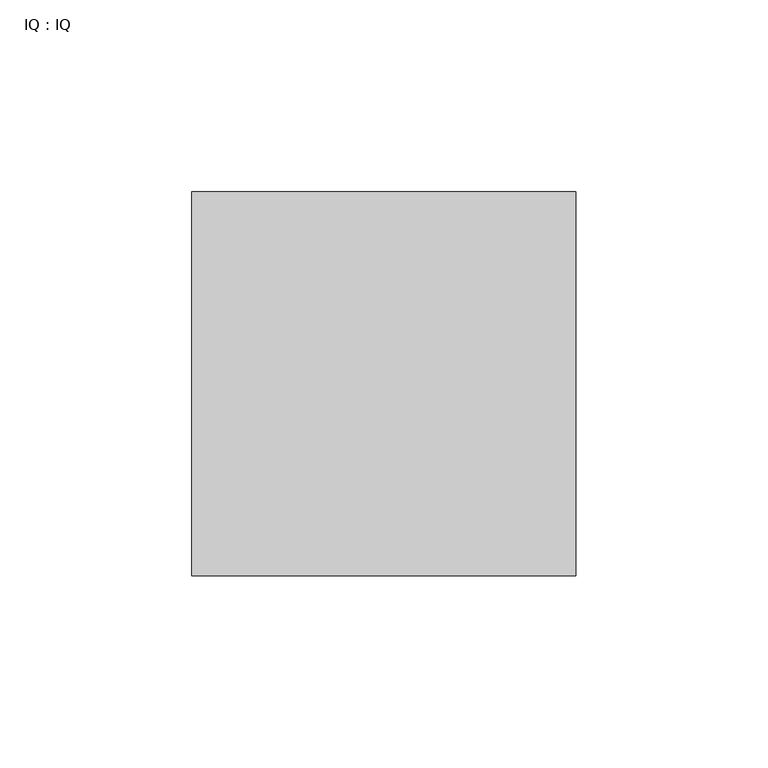
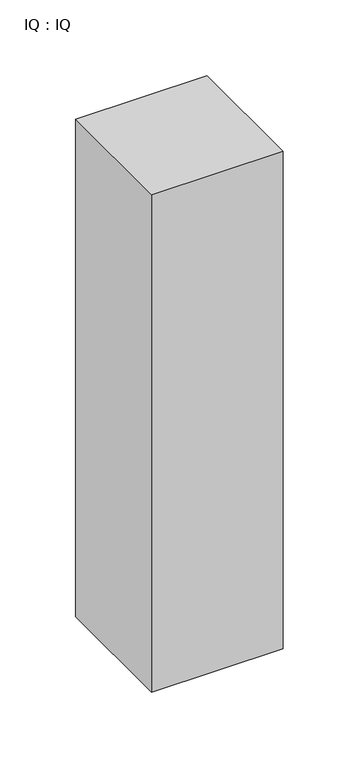
"""IFC4 building model written with IfcOpenShell, lengths in millimetres: proxy geometry, IQ : IQ."""

import ifcopenshell
import ifcopenshell.guid

model = None  # the IFC model being written
_history = None  # IfcOwnerHistory: only IFC2X3 demands one
_inside = {}  # id of a spatial element -> (the spatial element, [elements in it])
_under = {}  # id of a project, library or spatial element -> (it, [spatial elements below it])
_declared = {}  # id of a project -> (the project, [libraries it declares])
_typed = {}  # id of a type object -> (the type object, [elements of that type])
_made_of = {}  # id of a material, layer set ... -> (it, [elements and type objects made of it])


def new_model(schema):
    """Start an empty IFC model of exactly this schema.

    Asked for "IFC4X3", IfcOpenShell would pick the latest addendum, in which some entities
    have other attributes; the version numbers below select the first issue.
    IFC2X3 requires an IfcOwnerHistory on every rooted entity: one is made here for all.
    """
    global model, _history
    if schema == "IFC4X3":
        model = ifcopenshell.file(schema_version=(4, 3, 0, 0))
    else:
        model = ifcopenshell.file(schema=schema)
    _inside.clear()
    _under.clear()
    _declared.clear()
    _typed.clear()
    _made_of.clear()
    _history = None
    if model.schema == "IFC2X3":
        org = make("IfcOrganization", Name="unknown")
        user = make(
            "IfcPersonAndOrganization",
            ThePerson=make("IfcPerson", FamilyName="unknown"),
            TheOrganization=org,
        )
        app = make(
            "IfcApplication",
            ApplicationDeveloper=org,
            Version="unknown",
            ApplicationFullName="unknown",
            ApplicationIdentifier="unknown",
        )
        _history = make(
            "IfcOwnerHistory",
            OwningUser=user,
            OwningApplication=app,
            ChangeAction="ADDED",
            CreationDate=0,
        )
    return model


def make(cls, **values):
    """One entity of the class cls with the attributes given. An attribute that is None is left unset."""
    return model.create_entity(
        cls, **{name: value for name, value in values.items() if value is not None}
    )


def rooted(cls, **values):
    """An entity with a GlobalId (a new one), such as an element, a storey or a relation."""
    return make(cls, GlobalId=ifcopenshell.guid.new(), OwnerHistory=_history, **values)


def si_unit(unit_type, name, prefix=None):
    """IfcSIUnit, for example si_unit("LENGTHUNIT", "METRE", prefix="MILLI")."""
    return make("IfcSIUnit", UnitType=unit_type, Prefix=prefix, Name=name)


def assignment(units):
    """IfcUnitAssignment: the units of a project."""
    return None if units is None else make("IfcUnitAssignment", Units=units)


def point(xyz):
    """IfcCartesianPoint."""
    return None if xyz is None else make("IfcCartesianPoint", Coordinates=xyz)


def direction(xyz):
    """IfcDirection."""
    return None if xyz is None else make("IfcDirection", DirectionRatios=xyz)


def frame(location, z_axis=None, x_axis=None):
    """IfcAxis2Placement3D, a coordinate frame: its origin and axes. An axis left out is left unset."""
    return make(
        "IfcAxis2Placement3D",
        Location=point(location),
        Axis=direction(z_axis),
        RefDirection=direction(x_axis),
    )


def origin():
    """The frame at (0, 0, 0) with its axes left unset."""
    return frame((0.0, 0.0, 0.0))


def origin_with_axes():
    """The frame at (0, 0, 0) with the z axis (0, 0, 1) and the x axis (1, 0, 0) written out."""
    return frame((0.0, 0.0, 0.0), z_axis=(0.0, 0.0, 1.0), x_axis=(1.0, 0.0, 0.0))


def place(relative_to, where):
    """IfcLocalPlacement: puts the frame where relative to a parent placement (None: the world)."""
    return make(
        "IfcLocalPlacement", PlacementRelTo=relative_to, RelativePlacement=where
    )


def context(
    kind, dimensions, precision=None, world=None, true_north=None, identifier=None
):
    """IfcGeometricRepresentationContext, for example the 3D "Model" context."""
    return make(
        "IfcGeometricRepresentationContext",
        ContextIdentifier=identifier,
        ContextType=kind,
        CoordinateSpaceDimension=dimensions,
        Precision=precision,
        WorldCoordinateSystem=world,
        TrueNorth=true_north,
    )


def project(units=None, contexts=None):
    """IfcProject with its units and contexts."""
    return rooted(
        "IfcProject",
        Name="project",
        RepresentationContexts=contexts,
        UnitsInContext=assignment(units),
    )


def spatial(cls, under=None, at=None, **own):
    """A site, building, storey or space (cls), placed at a placement, below another one or the project."""
    s = rooted(cls, ObjectPlacement=at, **own)
    if under is not None:
        _under.setdefault(under.id(), (under, []))[1].append(s)
    return s


def polyline(points):
    """IfcPolyline through the points."""
    return make("IfcPolyline", Points=[point(p) for p in points])


def outline(outer, holes=None, kind="AREA"):
    """IfcArbitraryClosedProfileDef: a profile drawn as a closed curve; with holes, ...WithVoids."""
    if holes is None:
        return make("IfcArbitraryClosedProfileDef", ProfileType=kind, OuterCurve=outer)
    return make(
        "IfcArbitraryProfileDefWithVoids",
        ProfileType=kind,
        OuterCurve=outer,
        InnerCurves=holes,
    )


def extrude(swept, where, along, depth):
    """IfcExtrudedAreaSolid: the profile swept, set in the frame where, extruded along a direction by depth."""
    return make(
        "IfcExtrudedAreaSolid",
        SweptArea=swept,
        Position=where,
        ExtrudedDirection=direction(along),
        Depth=depth,
    )


def shape(context_of_items, identifier, shape_type, items):
    """IfcShapeRepresentation: the items that make up one representation, for example the "Body"."""
    return make(
        "IfcShapeRepresentation",
        ContextOfItems=context_of_items,
        RepresentationIdentifier=identifier,
        RepresentationType=shape_type,
        Items=items,
    )


def source(mapping_origin, context_of_items, identifier, shape_type, items):
    """IfcRepresentationMap: a shape defined once, which mapped items show again and again."""
    return make(
        "IfcRepresentationMap",
        MappingOrigin=mapping_origin,
        MappedRepresentation=shape(context_of_items, identifier, shape_type, items),
    )


def transform(
    local_origin,
    x_axis=None,
    y_axis=None,
    z_axis=None,
    scale=None,
    scale2=None,
    scale3=None,
    uniform=True,
):
    """IfcCartesianTransformationOperator3D, or its non-uniform kind. x_axis, y_axis, z_axis: its Axis1, 2, 3."""
    if uniform:
        return make(
            "IfcCartesianTransformationOperator3D",
            Axis1=direction(x_axis),
            Axis2=direction(y_axis),
            LocalOrigin=point(local_origin),
            Scale=scale,
            Axis3=direction(z_axis),
        )
    return make(
        "IfcCartesianTransformationOperator3DnonUniform",
        Axis1=direction(x_axis),
        Axis2=direction(y_axis),
        LocalOrigin=point(local_origin),
        Scale=scale,
        Axis3=direction(z_axis),
        Scale2=scale2,
        Scale3=scale3,
    )


def mapped(mapping_source, mapping_target):
    """IfcMappedItem: shows the shape of a source again, moved by a transform."""
    return make(
        "IfcMappedItem", MappingSource=mapping_source, MappingTarget=mapping_target
    )


def made_of(thing, what):
    """Note that an element or type object is made of a material, layer set ...; save() writes the relation."""
    if what is not None:
        _made_of.setdefault(what.id(), (what, []))[1].append(thing)
    return thing


def element(
    cls,
    number,
    at=None,
    inside=None,
    cuts=None,
    type_object=None,
    material=None,
    context=None,
    identifier="Body",
    shape_type=None,
    held_by="IfcProductDefinitionShape",
    body=None,
    shapes=None,
    **own,
):
    """One element of the class cls, such as IfcWall. Its Tag is "e" and its number.

    at: its placement. inside: the storey or other place that contains it. cuts: it is an
    opening in that element (IfcRelVoidsElement). A single representation is given by context,
    identifier, shape_type and body (its items); several are given by shapes. held_by: the class
    of the entity that holds the representations. save() writes the other relations.
    """
    e = rooted(cls, Tag="e%d" % number, ObjectPlacement=at, **own)
    if body is not None:
        shapes = [shape(context, identifier, shape_type, body)]
    if shapes is not None:
        e.Representation = make(held_by, Representations=shapes)
    if inside is not None:
        _inside.setdefault(inside.id(), (inside, []))[1].append(e)
    if cuts is not None:
        rooted(
            "IfcRelVoidsElement", RelatingBuildingElement=cuts, RelatedOpeningElement=e
        )
    if type_object is not None:
        _typed.setdefault(type_object.id(), (type_object, []))[1].append(e)
    return made_of(e, material)


def aggregate(whole, parts):
    """IfcRelAggregates: a whole, such as a stair, and the parts it consists of."""
    return rooted("IfcRelAggregates", RelatingObject=whole, RelatedObjects=parts)


def save(model, path):
    """Write the relations noted so far, then the file.

    IfcRelAggregates (storeys below a building ...), IfcRelContainedInSpatialStructure (elements
    in a storey), IfcRelDefinesByType, IfcRelAssociatesMaterial and IfcRelDeclares: one each for
    every whole, place, type object, material and project.
    """
    for whole, parts in _under.values():
        aggregate(whole, parts)
    for where, things in _inside.values():
        rooted(
            "IfcRelContainedInSpatialStructure",
            RelatedElements=things,
            RelatingStructure=where,
        )
    for kind, things in _typed.values():
        rooted("IfcRelDefinesByType", RelatedObjects=things, RelatingType=kind)
    for what, things in _made_of.values():
        rooted("IfcRelAssociatesMaterial", RelatedObjects=things, RelatingMaterial=what)
    for by, libraries in _declared.values():
        rooted("IfcRelDeclares", RelatingContext=by, RelatedDefinitions=libraries)
    model.write(path)


def iq_iq_146929ea(model_context):
    return source(origin(), model_context, "Body", "SweptSolid", [
        extrude(outline(polyline([(100.0, 100.0), (100.0, 0.0), (0.0, 0.0), (0.0, 100.0), (100.0, 100.0)])), origin_with_axes(), (0.0, 0.0, 1.0), 400.0),
    ])


if __name__ == "__main__":
    model = new_model("IFC4")
    model_context = context("Model", 3, world=origin())
    ifc_project = project(units=[si_unit("LENGTHUNIT", "METRE", prefix="MILLI")], contexts=[model_context])
    site = spatial("IfcSite", under=ifc_project)
    building = spatial("IfcBuilding", under=site)
    placement = place(None, origin())
    iq_iq_shape = iq_iq_146929ea(model_context)
    element("IfcBuildingElementProxy", 1, Name="IQ : IQ", ObjectType="IQ : IQ", at=placement, inside=building, context=model_context, shape_type="MappedRepresentation", body=[
        mapped(iq_iq_shape, transform((0.0, 0.0, 0.0), x_axis=(1.0, 0.0, 0.0), y_axis=(0.0, 1.0, 0.0), z_axis=(0.0, 0.0, 1.0))),
    ])
    save(model, "model.ifc")
